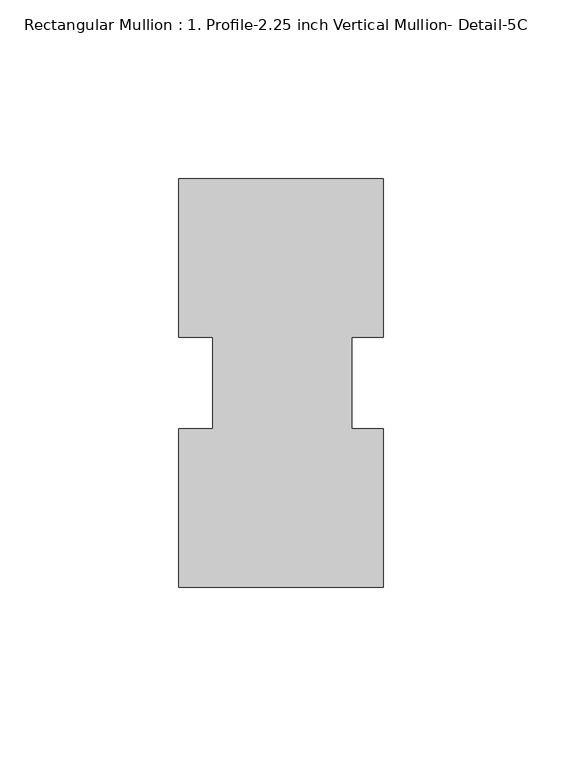
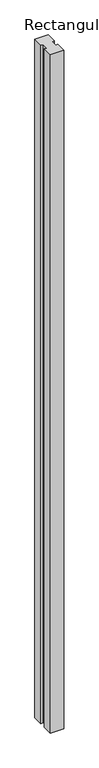
"""IFC4 building model written with IfcOpenShell, lengths in millimetres: member geometry, Rectangular Mullion : 1. Profile-2.25 inch Vertical Mullion- Detail-5C."""

from ifc_helpers import new_model, si_unit, frame, origin, place, context, project, spatial, polyline, outline, extrude, source, transform, mapped, element, save


def rectangular_mullion_1_profile_2_25_inch_vertical_mullion_d703a7f7(model_context):
    return source(origin(), model_context, "Body", "SweptSolid", [
        extrude(outline(polyline([(28.575, 57.1499683), (28.575, 12.7550344), (19.84375, 12.7550344), (19.84375, -12.732664), (28.575, -12.732664), (28.575, -57.1500317), (-28.575, -57.1499175), (-28.575, -12.732664), (-19.05, -12.732664), (-19.05, 12.7550344), (-28.575, 12.7550344), (-28.575, 57.1500825), (28.575, 57.1499683)])), frame((0.0, 0.0, -3048.0), z_axis=(0.0, 0.0, 1.0), x_axis=(1.0, 0.0, 0.0)), (0.0, 0.0, 1.0), 3048.0),
    ])


if __name__ == "__main__":
    model = new_model("IFC4")
    model_context = context("Model", 3, world=origin())
    ifc_project = project(units=[si_unit("LENGTHUNIT", "METRE", prefix="MILLI")], contexts=[model_context])
    site = spatial("IfcSite", under=ifc_project)
    building = spatial("IfcBuilding", under=site)
    placement = place(None, origin())
    rectangular_mullion_1_profile_2_25_inch_vertical_mullion_shape = rectangular_mullion_1_profile_2_25_inch_vertical_mullion_d703a7f7(model_context)
    element("IfcMember", 1, ObjectType="Rectangular Mullion : 1. Profile-2.25 inch Vertical Mullion- Detail-5C", at=placement, inside=building, context=model_context, shape_type="MappedRepresentation", body=[
        mapped(rectangular_mullion_1_profile_2_25_inch_vertical_mullion_shape, transform((0.0, 0.0, 0.0), x_axis=(1.0, 0.0, 0.0), y_axis=(0.0, 1.0, 0.0), z_axis=(0.0, 0.0, 1.0))),
    ])
    save(model, "model.ifc")
